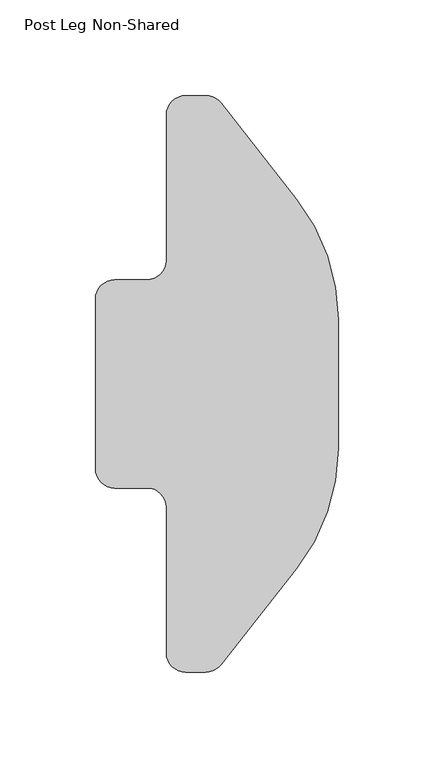
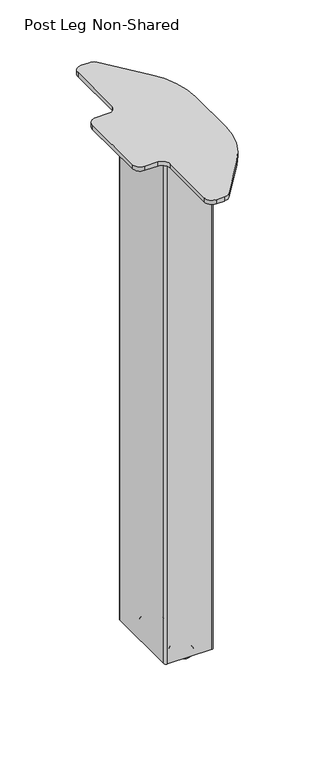
"""IFC4 building model written with IfcOpenShell, lengths in millimetres: furniture geometry, Post Leg Non-Shared."""

import ifcopenshell
import ifcopenshell.guid

model = None  # the IFC model being written
_history = None  # IfcOwnerHistory: only IFC2X3 demands one
_inside = {}  # id of a spatial element -> (the spatial element, [elements in it])
_under = {}  # id of a project, library or spatial element -> (it, [spatial elements below it])
_declared = {}  # id of a project -> (the project, [libraries it declares])
_typed = {}  # id of a type object -> (the type object, [elements of that type])
_made_of = {}  # id of a material, layer set ... -> (it, [elements and type objects made of it])


def new_model(schema):
    """Start an empty IFC model of exactly this schema.

    Asked for "IFC4X3", IfcOpenShell would pick the latest addendum, in which some entities
    have other attributes; the version numbers below select the first issue.
    IFC2X3 requires an IfcOwnerHistory on every rooted entity: one is made here for all.
    """
    global model, _history
    if schema == "IFC4X3":
        model = ifcopenshell.file(schema_version=(4, 3, 0, 0))
    else:
        model = ifcopenshell.file(schema=schema)
    _inside.clear()
    _under.clear()
    _declared.clear()
    _typed.clear()
    _made_of.clear()
    _history = None
    if model.schema == "IFC2X3":
        org = make("IfcOrganization", Name="unknown")
        user = make(
            "IfcPersonAndOrganization",
            ThePerson=make("IfcPerson", FamilyName="unknown"),
            TheOrganization=org,
        )
        app = make(
            "IfcApplication",
            ApplicationDeveloper=org,
            Version="unknown",
            ApplicationFullName="unknown",
            ApplicationIdentifier="unknown",
        )
        _history = make(
            "IfcOwnerHistory",
            OwningUser=user,
            OwningApplication=app,
            ChangeAction="ADDED",
            CreationDate=0,
        )
    return model


def make(cls, **values):
    """One entity of the class cls with the attributes given. An attribute that is None is left unset."""
    return model.create_entity(
        cls, **{name: value for name, value in values.items() if value is not None}
    )


def rooted(cls, **values):
    """An entity with a GlobalId (a new one), such as an element, a storey or a relation."""
    return make(cls, GlobalId=ifcopenshell.guid.new(), OwnerHistory=_history, **values)


def si_unit(unit_type, name, prefix=None):
    """IfcSIUnit, for example si_unit("LENGTHUNIT", "METRE", prefix="MILLI")."""
    return make("IfcSIUnit", UnitType=unit_type, Prefix=prefix, Name=name)


def assignment(units):
    """IfcUnitAssignment: the units of a project."""
    return None if units is None else make("IfcUnitAssignment", Units=units)


def point(xyz):
    """IfcCartesianPoint."""
    return None if xyz is None else make("IfcCartesianPoint", Coordinates=xyz)


def direction(xyz):
    """IfcDirection."""
    return None if xyz is None else make("IfcDirection", DirectionRatios=xyz)


def frame(location, z_axis=None, x_axis=None):
    """IfcAxis2Placement3D, a coordinate frame: its origin and axes. An axis left out is left unset."""
    return make(
        "IfcAxis2Placement3D",
        Location=point(location),
        Axis=direction(z_axis),
        RefDirection=direction(x_axis),
    )


def frame_2d(location, x_axis=None):
    """IfcAxis2Placement2D, a coordinate frame in the plane: its origin and x axis."""
    return make(
        "IfcAxis2Placement2D", Location=point(location), RefDirection=direction(x_axis)
    )


def origin():
    """The frame at (0, 0, 0) with its axes left unset."""
    return frame((0.0, 0.0, 0.0))


def place(relative_to, where):
    """IfcLocalPlacement: puts the frame where relative to a parent placement (None: the world)."""
    return make(
        "IfcLocalPlacement", PlacementRelTo=relative_to, RelativePlacement=where
    )


def context(
    kind, dimensions, precision=None, world=None, true_north=None, identifier=None
):
    """IfcGeometricRepresentationContext, for example the 3D "Model" context."""
    return make(
        "IfcGeometricRepresentationContext",
        ContextIdentifier=identifier,
        ContextType=kind,
        CoordinateSpaceDimension=dimensions,
        Precision=precision,
        WorldCoordinateSystem=world,
        TrueNorth=true_north,
    )


def project(units=None, contexts=None):
    """IfcProject with its units and contexts."""
    return rooted(
        "IfcProject",
        Name="project",
        RepresentationContexts=contexts,
        UnitsInContext=assignment(units),
    )


def spatial(cls, under=None, at=None, **own):
    """A site, building, storey or space (cls), placed at a placement, below another one or the project."""
    s = rooted(cls, ObjectPlacement=at, **own)
    if under is not None:
        _under.setdefault(under.id(), (under, []))[1].append(s)
    return s


def polyline(points):
    """IfcPolyline through the points."""
    return make("IfcPolyline", Points=[point(p) for p in points])


def circle_curve(where, radius):
    """IfcCircle in the frame where."""
    return make("IfcCircle", Position=where, Radius=radius)


def ellipse_curve(where, semi_axis1, semi_axis2):
    """IfcEllipse in the frame where."""
    return make(
        "IfcEllipse", Position=where, SemiAxis1=semi_axis1, SemiAxis2=semi_axis2
    )


def trimmed(basis, trim1, trim2, sense, master):
    """IfcTrimmedCurve: the piece of a basis curve between two trims."""
    return make(
        "IfcTrimmedCurve",
        BasisCurve=basis,
        Trim1=trim1,
        Trim2=trim2,
        SenseAgreement=sense,
        MasterRepresentation=master,
    )


def segment(curve, same_sense, transition):
    """IfcCompositeCurveSegment."""
    return make(
        "IfcCompositeCurveSegment",
        Transition=transition,
        SameSense=same_sense,
        ParentCurve=curve,
    )


def composite_curve(segments, self_intersect=None):
    """IfcCompositeCurve: segments joined end to end."""
    return make("IfcCompositeCurve", Segments=segments, SelfIntersect=self_intersect)


def outline(outer, holes=None, kind="AREA"):
    """IfcArbitraryClosedProfileDef: a profile drawn as a closed curve; with holes, ...WithVoids."""
    if holes is None:
        return make("IfcArbitraryClosedProfileDef", ProfileType=kind, OuterCurve=outer)
    return make(
        "IfcArbitraryProfileDefWithVoids",
        ProfileType=kind,
        OuterCurve=outer,
        InnerCurves=holes,
    )


def extrude(swept, where, along, depth):
    """IfcExtrudedAreaSolid: the profile swept, set in the frame where, extruded along a direction by depth."""
    return make(
        "IfcExtrudedAreaSolid",
        SweptArea=swept,
        Position=where,
        ExtrudedDirection=direction(along),
        Depth=depth,
    )


def shape(context_of_items, identifier, shape_type, items):
    """IfcShapeRepresentation: the items that make up one representation, for example the "Body"."""
    return make(
        "IfcShapeRepresentation",
        ContextOfItems=context_of_items,
        RepresentationIdentifier=identifier,
        RepresentationType=shape_type,
        Items=items,
    )


def source(mapping_origin, context_of_items, identifier, shape_type, items):
    """IfcRepresentationMap: a shape defined once, which mapped items show again and again."""
    return make(
        "IfcRepresentationMap",
        MappingOrigin=mapping_origin,
        MappedRepresentation=shape(context_of_items, identifier, shape_type, items),
    )


def transform(
    local_origin,
    x_axis=None,
    y_axis=None,
    z_axis=None,
    scale=None,
    scale2=None,
    scale3=None,
    uniform=True,
):
    """IfcCartesianTransformationOperator3D, or its non-uniform kind. x_axis, y_axis, z_axis: its Axis1, 2, 3."""
    if uniform:
        return make(
            "IfcCartesianTransformationOperator3D",
            Axis1=direction(x_axis),
            Axis2=direction(y_axis),
            LocalOrigin=point(local_origin),
            Scale=scale,
            Axis3=direction(z_axis),
        )
    return make(
        "IfcCartesianTransformationOperator3DnonUniform",
        Axis1=direction(x_axis),
        Axis2=direction(y_axis),
        LocalOrigin=point(local_origin),
        Scale=scale,
        Axis3=direction(z_axis),
        Scale2=scale2,
        Scale3=scale3,
    )


def mapped(mapping_source, mapping_target):
    """IfcMappedItem: shows the shape of a source again, moved by a transform."""
    return make(
        "IfcMappedItem", MappingSource=mapping_source, MappingTarget=mapping_target
    )


def made_of(thing, what):
    """Note that an element or type object is made of a material, layer set ...; save() writes the relation."""
    if what is not None:
        _made_of.setdefault(what.id(), (what, []))[1].append(thing)
    return thing


def element(
    cls,
    number,
    at=None,
    inside=None,
    cuts=None,
    type_object=None,
    material=None,
    context=None,
    identifier="Body",
    shape_type=None,
    held_by="IfcProductDefinitionShape",
    body=None,
    shapes=None,
    **own,
):
    """One element of the class cls, such as IfcWall. Its Tag is "e" and its number.

    at: its placement. inside: the storey or other place that contains it. cuts: it is an
    opening in that element (IfcRelVoidsElement). A single representation is given by context,
    identifier, shape_type and body (its items); several are given by shapes. held_by: the class
    of the entity that holds the representations. save() writes the other relations.
    """
    e = rooted(cls, Tag="e%d" % number, ObjectPlacement=at, **own)
    if body is not None:
        shapes = [shape(context, identifier, shape_type, body)]
    if shapes is not None:
        e.Representation = make(held_by, Representations=shapes)
    if inside is not None:
        _inside.setdefault(inside.id(), (inside, []))[1].append(e)
    if cuts is not None:
        rooted(
            "IfcRelVoidsElement", RelatingBuildingElement=cuts, RelatedOpeningElement=e
        )
    if type_object is not None:
        _typed.setdefault(type_object.id(), (type_object, []))[1].append(e)
    return made_of(e, material)


def aggregate(whole, parts):
    """IfcRelAggregates: a whole, such as a stair, and the parts it consists of."""
    return rooted("IfcRelAggregates", RelatingObject=whole, RelatedObjects=parts)


def save(model, path):
    """Write the relations noted so far, then the file.

    IfcRelAggregates (storeys below a building ...), IfcRelContainedInSpatialStructure (elements
    in a storey), IfcRelDefinesByType, IfcRelAssociatesMaterial and IfcRelDeclares: one each for
    every whole, place, type object, material and project.
    """
    for whole, parts in _under.values():
        aggregate(whole, parts)
    for where, things in _inside.values():
        rooted(
            "IfcRelContainedInSpatialStructure",
            RelatedElements=things,
            RelatingStructure=where,
        )
    for kind, things in _typed.values():
        rooted("IfcRelDefinesByType", RelatedObjects=things, RelatingType=kind)
    for what, things in _made_of.values():
        rooted("IfcRelAssociatesMaterial", RelatedObjects=things, RelatingMaterial=what)
    for by, libraries in _declared.values():
        rooted("IfcRelDeclares", RelatingContext=by, RelatedDefinitions=libraries)
    model.write(path)


def plane_surface(at):
    """IfcPlane: the flat surface through the origin of the frame at, square to its z axis."""
    return make("IfcPlane", Position=at)


def cylinder_surface(at, radius):
    """IfcCylindricalSurface: all points at the distance radius from the z axis of the frame at."""
    return make("IfcCylindricalSurface", Position=at, Radius=radius)


def revolved_surface(curve, axis_point, axis_direction):
    """IfcSurfaceOfRevolution: the curve turned about the line through axis_point along axis_direction."""
    return make(
        "IfcSurfaceOfRevolution",
        SweptCurve=make("IfcArbitraryOpenProfileDef", ProfileType="CURVE", Curve=curve),
        AxisPosition=make("IfcAxis1Placement", Location=point(axis_point), Axis=direction(axis_direction)),
    )


def advanced_brep(points, edges, surfaces, faces):
    """IfcAdvancedBrep: a solid bounded by faces that lie on surfaces and meet in shared edges.

    An edge is (start, end): straight between two places in points (the first is 0);
    or (start, end, curve); or (start, end, curve, False) where it runs against its curve.
    A face is (place in surfaces, loops), or (place, loops, False) where it looks against
    its surface's normal. A loop lists edges by number (the first is 1), with a minus sign
    where the edge is run from its end to its start. The first loop is the outer one.
    """
    corners = [point(p) for p in points]
    vertices = [make("IfcVertexPoint", VertexGeometry=c) for c in corners]
    made = []
    for start, end, *more in edges:
        made.append(
            make(
                "IfcEdgeCurve",
                EdgeStart=vertices[start],
                EdgeEnd=vertices[end],
                EdgeGeometry=more[0] if more else make("IfcPolyline", Points=[corners[start], corners[end]]),
                SameSense=more[1] if len(more) > 1 else True,
            )
        )
    hull = []
    for where, loops, *sense in faces:
        bounds = []
        for j, loop in enumerate(loops):
            ring = [make("IfcOrientedEdge", EdgeElement=made[abs(k) - 1], Orientation=k > 0) for k in loop]
            bounds.append(
                make(
                    "IfcFaceOuterBound" if j == 0 else "IfcFaceBound",
                    Bound=make("IfcEdgeLoop", EdgeList=ring),
                    Orientation=True,
                )
            )
        hull.append(make("IfcAdvancedFace", Bounds=bounds, FaceSurface=surfaces[where], SameSense=sense[0] if sense else True))
    return make("IfcAdvancedBrep", Outer=make("IfcClosedShell", CfsFaces=hull))


def post_leg_non_shared_7c8657bd(model_context):
    return source(origin(), model_context, "Body", "SolidModel", [
        extrude(outline(composite_curve([segment(trimmed(circle_curve(frame_2d((-43.1188621, 64.6446535)), 10.16), [point((-43.1188621, 54.4846535))], [point((-32.9588621, 64.6446535))], True, "CARTESIAN"), True, "CONTINUOUS"), segment(polyline([(-32.9588621, 64.6446535), (-32.9588621, 140.6746409)]), True, "CONTINUOUS"), segment(trimmed(circle_curve(frame_2d((-22.7988621, 140.6746409)), 10.16), [point((-32.9588621, 140.6746409))], [point((-22.7988621, 150.8346409))], False, "CARTESIAN"), True, "CONTINUOUS"), segment(polyline([(-22.7988621, 150.8346409), (-12.4190297, 150.8346409)]), True, "CONTINUOUS"), segment(trimmed(circle_curve(frame_2d((-12.4190297, 140.6746409)), 10.16), [point((-12.4190297, 150.8346409))], [point((-4.4410592, 146.9657128))], False, "CARTESIAN"), True, "CONTINUOUS"), segment(polyline([(-4.4410592, 146.9657128), (35.2797037, 96.5941582)]), True, "CONTINUOUS"), segment(trimmed(circle_curve(frame_2d((-44.5000015, 33.6834386)), 101.6), [point((35.2797037, 96.5941582))], [point((57.0999985, 33.6834386))], False, "CARTESIAN"), True, "CONTINUOUS"), segment(polyline([(57.0999985, 33.6834386), (57.0999985, -33.6718318)]), True, "CONTINUOUS"), segment(trimmed(circle_curve(frame_2d((-44.5000015, -33.6718318)), 101.6), [point((57.0999985, -33.6718318))], [point((35.2797037, -96.5825515))], False, "CARTESIAN"), True, "CONTINUOUS"), segment(polyline([(35.2797037, -96.5825515), (-4.4410592, -146.9541061)]), True, "CONTINUOUS"), segment(trimmed(circle_curve(frame_2d((-12.4190297, -140.6630341)), 10.16), [point((-4.4410592, -146.9541061))], [point((-12.4190297, -150.8230341))], False, "CARTESIAN"), True, "CONTINUOUS"), segment(polyline([(-12.4190297, -150.8230341), (-22.7988621, -150.8230341)]), True, "CONTINUOUS"), segment(trimmed(circle_curve(frame_2d((-22.7988621, -140.6630341)), 10.16), [point((-22.7988621, -150.8230341))], [point((-32.9588621, -140.6630341))], False, "CARTESIAN"), True, "CONTINUOUS"), segment(polyline([(-32.9588621, -140.6630341), (-32.9588621, -64.6330468)]), True, "CONTINUOUS"), segment(trimmed(circle_curve(frame_2d((-43.1188621, -64.6330468)), 10.16), [point((-32.9588621, -64.6330468))], [point((-43.1188621, -54.4730468))], True, "CARTESIAN"), True, "CONTINUOUS"), segment(polyline([(-43.1188621, -54.4730468), (-59.9158189, -54.4730468)]), True, "CONTINUOUS"), segment(trimmed(circle_curve(frame_2d((-59.9158189, -44.3130468)), 10.16), [point((-59.9158189, -54.4730468))], [point((-70.0758189, -44.3130468))], False, "CARTESIAN"), True, "CONTINUOUS"), segment(polyline([(-70.0758189, -44.3130468), (-70.0758189, 44.3246535)]), True, "CONTINUOUS"), segment(trimmed(circle_curve(frame_2d((-59.9158189, 44.3246535)), 10.16), [point((-70.0758189, 44.3246535))], [point((-59.9158189, 54.4846535))], False, "CARTESIAN"), True, "CONTINUOUS"), segment(polyline([(-59.9158189, 54.4846535), (-43.1188621, 54.4846535)]), True, "CONTINUOUS")], self_intersect=False)), frame((0.0, 0.0, 691.533807), z_axis=(0.0, 0.0, 1.0), x_axis=(1.0, 0.0, 0.0)), (0.0, 0.0, 1.0), 5.6950012),
        advanced_brep(
        [(28.652, 51.7000011, 6.152), (31.7, 48.6520011, 6.152), (31.7, -48.6520011, 6.152), (28.652, -51.7000011, 6.152), (-28.652, -51.7000011, 6.152), (-31.7, -48.6520011, 6.152), (-31.7, 48.6520011, 6.152), (-28.652, 51.7000011, 6.152), (-28.5300002, 49.799999, 6.152), (-29.8000002, 48.529999, 6.152), (-29.8000002, -48.529999, 6.152), (-28.5300002, -49.799999, 6.152), (28.5300002, -49.799999, 6.152), (29.8000002, -48.529999, 6.152), (29.8000002, 48.529999, 6.152), (28.5300002, 49.799999, 6.152), (28.652, 51.7000011, 691.533807), (-28.652, 51.7000011, 691.533807), (-31.7, 48.6520011, 691.533807), (-31.7, -48.6520011, 691.533807), (-28.652, -51.7000011, 691.533807), (28.652, -51.7000011, 691.533807), (31.7, -48.6520011, 691.533807), (31.7, 48.6520011, 691.533807), (-28.5300002, 49.799999, 11.3499999), (28.5300002, 49.799999, 11.3499999), (29.8000002, 48.529999, 11.3499999), (29.8000002, -48.529999, 11.3499999), (28.5300002, -49.799999, 11.3499999), (-28.5300002, -49.799999, 11.3499999), (-29.8000002, -48.529999, 11.3499999), (-29.8000002, 48.529999, 11.3499999), (0.0, 22.9306261, 11.3499999), (0.0, 43.0693742, 11.3499999), (0.0, -43.0693742, 11.3499999), (0.0, -22.9306261, 11.3499999), (0.0, 33.0000002, 0.0), (0.0, 44.1125009, 0.0), (0.0, 21.8874994, 0.0), (0.0, 22.9306261, 6.3500002), (0.0, 43.0693742, 6.3500002), (0.0, 44.1125009, 6.3500002), (0.0, 21.8874994, 6.3500002), (0.0, -21.8874994, 0.0), (0.0, -44.1125009, 0.0), (0.0, -33.0000002, 0.0), (0.0, -43.0693742, 6.3500002), (0.0, -22.9306261, 6.3500002), (0.0, -21.8874994, 6.3500002), (0.0, -44.1125009, 6.3500002)],
        [
            (0, 1, circle_curve(frame((28.652, 48.6520011, 6.152), z_axis=(0.0, 0.0, -1.0), x_axis=(0.0, -1.0, 0.0)), 3.048)),
            (1, 2),
            (2, 3, circle_curve(frame((28.652, -48.6520011, 6.152), z_axis=(0.0, 0.0, -1.0), x_axis=(0.0, -1.0, 0.0)), 3.048)),
            (3, 4),
            (4, 5, circle_curve(frame((-28.652, -48.6520011, 6.152), z_axis=(0.0, 0.0, -1.0), x_axis=(0.0, -1.0, 0.0)), 3.048)),
            (5, 6),
            (6, 7, circle_curve(frame((-28.652, 48.6520011, 6.152), z_axis=(0.0, 0.0, -1.0), x_axis=(0.0, -1.0, 0.0)), 3.048)),
            (7, 0),
            (8, 9, circle_curve(frame((-28.5300002, 48.529999, 6.152), z_axis=(0.0, 0.0, 1.0), x_axis=(1.0, 0.0, 0.0)), 1.27)),
            (9, 10),
            (10, 11, circle_curve(frame((-28.5300002, -48.529999, 6.152), z_axis=(0.0, 0.0, 1.0), x_axis=(1.0, 0.0, 0.0)), 1.27)),
            (11, 12),
            (12, 13, circle_curve(frame((28.5300002, -48.529999, 6.152), z_axis=(0.0, 0.0, 1.0), x_axis=(1.0, 0.0, 0.0)), 1.27)),
            (13, 14),
            (14, 15, circle_curve(frame((28.5300002, 48.529999, 6.152), z_axis=(0.0, 0.0, 1.0), x_axis=(1.0, 0.0, 0.0)), 1.27)),
            (15, 8),
            (16, 17),
            (17, 18, circle_curve(frame((-28.652, 48.6520011, 691.533807), z_axis=(0.0, 0.0, 1.0), x_axis=(0.0, -1.0, 0.0)), 3.048)),
            (18, 19),
            (19, 20, circle_curve(frame((-28.652, -48.6520011, 691.533807), z_axis=(0.0, 0.0, 1.0), x_axis=(0.0, -1.0, 0.0)), 3.048)),
            (20, 21),
            (21, 22, circle_curve(frame((28.652, -48.6520011, 691.533807), z_axis=(0.0, 0.0, 1.0), x_axis=(0.0, -1.0, 0.0)), 3.048)),
            (22, 23),
            (23, 16, circle_curve(frame((28.652, 48.6520011, 691.533807), z_axis=(0.0, 0.0, 1.0), x_axis=(0.0, -1.0, 0.0)), 3.048)),
            (0, 16),
            (23, 1),
            (22, 2),
            (21, 3),
            (20, 4),
            (19, 5),
            (18, 6),
            (17, 7),
            (24, 25),
            (25, 26, circle_curve(frame((28.5300002, 48.529999, 11.3499999), z_axis=(0.0, 0.0, -1.0), x_axis=(1.0, 0.0, 0.0)), 1.27)),
            (26, 27),
            (27, 28, circle_curve(frame((28.5300002, -48.529999, 11.3499999), z_axis=(0.0, 0.0, -1.0), x_axis=(1.0, 0.0, 0.0)), 1.27)),
            (28, 29),
            (29, 30, circle_curve(frame((-28.5300002, -48.529999, 11.3499999), z_axis=(0.0, 0.0, -1.0), x_axis=(1.0, 0.0, 0.0)), 1.27)),
            (30, 31),
            (31, 24, circle_curve(frame((-28.5300002, 48.529999, 11.3499999), z_axis=(0.0, 0.0, -1.0), x_axis=(1.0, 0.0, 0.0)), 1.27)),
            (32, 33, circle_curve(frame((0.0, 33.0000002, 11.3499999), z_axis=(0.0, 0.0, 1.0), x_axis=(0.0, 1.0, 0.0)), 10.069374)),
            (33, 32, circle_curve(frame((0.0, 33.0000002, 11.3499999), z_axis=(0.0, 0.0, 1.0), x_axis=(0.0, 1.0, 0.0)), 10.069374)),
            (34, 35, circle_curve(frame((0.0, -33.0000002, 11.3499999), z_axis=(0.0, 0.0, 1.0), x_axis=(0.0, -1.0, 0.0)), 10.069374)),
            (35, 34, circle_curve(frame((0.0, -33.0000002, 11.3499999), z_axis=(0.0, 0.0, 1.0), x_axis=(0.0, -1.0, 0.0)), 10.069374)),
            (31, 9),
            (8, 24),
            (30, 10),
            (29, 11),
            (28, 12),
            (27, 13),
            (26, 14),
            (25, 15),
            (36, 37),
            (37, 38, circle_curve(frame((0.0, 33.0000002, 0.0), z_axis=(0.0, 0.0, -1.0), x_axis=(0.0, 1.0, 0.0)), 11.1125008)),
            (38, 36),
            (38, 37, circle_curve(frame((0.0, 33.0000002, 0.0), z_axis=(0.0, 0.0, -1.0), x_axis=(0.0, 1.0, 0.0)), 11.1125008)),
            (39, 40, circle_curve(frame((0.0, 33.0000002, 6.3500002), z_axis=(0.0, 0.0, 1.0), x_axis=(0.0, 1.0, 0.0)), 10.069374)),
            (40, 33),
            (32, 39),
            (40, 39, circle_curve(frame((0.0, 33.0000002, 6.3500002), z_axis=(0.0, 0.0, 1.0), x_axis=(0.0, 1.0, 0.0)), 10.069374)),
            (37, 41, circle_curve(frame((0.0, 44.1125009, 3.1750001), z_axis=(1.0, 0.0, 0.0), x_axis=(0.0, 1.0, 0.0)), 3.1750001)),
            (41, 42, circle_curve(frame((0.0, 33.0000002, 6.3500002), z_axis=(0.0, 0.0, -1.0), x_axis=(0.0, 1.0, 0.0)), 11.1125008)),
            (42, 38, circle_curve(frame((0.0, 21.8874994, 3.1750001), z_axis=(1.0, 0.0, 0.0), x_axis=(0.0, -1.0, 0.0)), 3.1750001)),
            (42, 41, circle_curve(frame((0.0, 33.0000002, 6.3500002), z_axis=(0.0, 0.0, -1.0), x_axis=(0.0, 1.0, 0.0)), 11.1125008)),
            (39, 42),
            (41, 40),
            (43, 44, circle_curve(frame((0.0, -33.0000002, 0.0), z_axis=(0.0, 0.0, -1.0), x_axis=(0.0, -1.0, 0.0)), 11.1125008)),
            (44, 45),
            (45, 43),
            (44, 43, circle_curve(frame((0.0, -33.0000002, 0.0), z_axis=(0.0, 0.0, -1.0), x_axis=(0.0, -1.0, 0.0)), 11.1125008)),
            (34, 46),
            (46, 47, circle_curve(frame((0.0, -33.0000002, 6.3500002), z_axis=(0.0, 0.0, 1.0), x_axis=(0.0, -1.0, 0.0)), 10.069374)),
            (47, 35),
            (47, 46, circle_curve(frame((0.0, -33.0000002, 6.3500002), z_axis=(0.0, 0.0, 1.0), x_axis=(0.0, -1.0, 0.0)), 10.069374)),
            (43, 48, circle_curve(frame((0.0, -21.8874994, 3.1750001), z_axis=(1.0, 0.0, 0.0), x_axis=(0.0, 1.0, 0.0)), 3.1750001)),
            (48, 49, circle_curve(frame((0.0, -33.0000002, 6.3500002), z_axis=(0.0, 0.0, -1.0), x_axis=(0.0, -1.0, 0.0)), 11.1125008)),
            (49, 44, circle_curve(frame((0.0, -44.1125009, 3.1750001), z_axis=(1.0, 0.0, 0.0), x_axis=(0.0, -1.0, 0.0)), 3.1750001)),
            (49, 48, circle_curve(frame((0.0, -33.0000002, 6.3500002), z_axis=(0.0, 0.0, -1.0), x_axis=(0.0, -1.0, 0.0)), 11.1125008)),
            (46, 49),
            (48, 47),
        ],
        [
            plane_surface(frame((28.652, 45.6040011, 6.152), z_axis=(0.0, 0.0, -1.0), x_axis=(-1.0, 0.0, 0.0))),
            plane_surface(frame((28.652, 45.6040011, 691.533807), z_axis=(0.0, 0.0, 1.0), x_axis=(1.0, 0.0, 0.0))),
            cylinder_surface(frame((28.652, 48.6520011, 691.533807), z_axis=(0.0, 0.0, -1.0), x_axis=(0.0, -1.0, 0.0)), 3.048),
            plane_surface(frame((31.7, 48.6520011, 6.152), z_axis=(1.0, 0.0, 0.0), x_axis=(0.0, 0.0, 1.0))),
            cylinder_surface(frame((28.652, -48.6520011, 691.533807), z_axis=(0.0, 0.0, -1.0), x_axis=(0.0, -1.0, 0.0)), 3.048),
            plane_surface(frame((28.652, -51.7000011, 6.152), z_axis=(0.0, -1.0, 0.0), x_axis=(0.0, 0.0, 1.0))),
            cylinder_surface(frame((-28.652, -48.6520011, 691.533807), z_axis=(0.0, 0.0, -1.0), x_axis=(0.0, -1.0, 0.0)), 3.048),
            plane_surface(frame((-31.7, -48.6520011, 6.152), z_axis=(-1.0, 0.0, 0.0), x_axis=(0.0, 0.0, 1.0))),
            cylinder_surface(frame((-28.652, 48.6520011, 691.533807), z_axis=(0.0, 0.0, -1.0), x_axis=(0.0, -1.0, 0.0)), 3.048),
            plane_surface(frame((-28.652, 51.7000011, 6.152), z_axis=(0.0, 1.0, 0.0), x_axis=(0.0, 0.0, 1.0))),
            plane_surface(frame((-27.2600002, 48.529999, 11.3499999), z_axis=(0.0, 0.0, -1.0), x_axis=(0.0, 1.0, 0.0))),
            revolved_surface(polyline([(-27.2600002, 48.529999, 11.3499999), (-27.2600002, 48.529999, 6.152)]), (-28.5300002, 48.529999, 0.0), (0.0, 0.0, 1.0)),
            plane_surface(frame((-29.8000002, 48.529999, 11.3499999), z_axis=(1.0, 0.0, 0.0), x_axis=(0.0, 0.0, -1.0))),
            revolved_surface(polyline([(-27.2600002, -48.529999, 11.3499999), (-27.2600002, -48.529999, 6.152)]), (-28.5300002, -48.529999, 0.0), (0.0, 0.0, 1.0)),
            plane_surface(frame((-28.5300002, -49.799999, 11.3499999), z_axis=(0.0, 1.0, 0.0), x_axis=(0.0, 0.0, -1.0))),
            revolved_surface(polyline([(29.8000002, -48.529999, 11.3499999), (29.8000002, -48.529999, 6.152)]), (28.5300002, -48.529999, 0.0), (0.0, 0.0, 1.0)),
            plane_surface(frame((29.8000002, -48.529999, 11.3499999), z_axis=(-1.0, 0.0, 0.0), x_axis=(0.0, 0.0, -1.0))),
            revolved_surface(polyline([(29.8000002, 48.529999, 11.3499999), (29.8000002, 48.529999, 6.152)]), (28.5300002, 48.529999, 0.0), (0.0, 0.0, 1.0)),
            plane_surface(frame((28.5300002, 49.799999, 11.3499999), z_axis=(0.0, -1.0, 0.0), x_axis=(0.0, 0.0, -1.0))),
            plane_surface(frame((0.0, 33.0000002, 0.0), z_axis=(0.0, 0.0, -1.0), x_axis=(0.0, 1.0, 0.0))),
            cylinder_surface(frame((0.0, 33.0000002, 0.0), z_axis=(0.0, 0.0, -1.0), x_axis=(0.0, 1.0, 0.0)), 10.069374),
            revolved_surface(trimmed(ellipse_curve(frame((0.0, 44.1125009, 3.1750001), z_axis=(-1.0, 0.0, 0.0), x_axis=(0.0, 1.0, 0.0)), 3.1750001, 3.1750001), [point((0.0, 44.1125009, 6.3500002))], [point((0.0, 44.1125009, 0.0))], True, "CARTESIAN"), (0.0, 33.0000002, 0.0), (0.0, 0.0, -1.0)),
            plane_surface(frame((0.0, 33.0000002, 6.3500002), z_axis=(0.0, 0.0, 1.0), x_axis=(0.0, 1.0, 0.0))),
            plane_surface(frame((0.0, -33.0000002, 0.0), z_axis=(0.0, 0.0, -1.0), x_axis=(0.0, -1.0, 0.0))),
            cylinder_surface(frame((0.0, -33.0000002, 0.0), z_axis=(0.0, 0.0, 1.0), x_axis=(0.0, -1.0, 0.0)), 10.069374),
            revolved_surface(trimmed(ellipse_curve(frame((0.0, -44.1125009, 3.1750001), z_axis=(-1.0, 0.0, 0.0), x_axis=(0.0, -1.0, 0.0)), 3.1750001, 3.1750001), [point((0.0, -44.1125009, 0.0))], [point((0.0, -44.1125009, 6.3500002))], True, "CARTESIAN"), (0.0, -33.0000002, 0.0), (0.0, 0.0, 1.0)),
            plane_surface(frame((0.0, -33.0000002, 6.3500002), z_axis=(0.0, 0.0, 1.0), x_axis=(0.0, -1.0, 0.0))),
        ],
        [
            (0, [[1, 2, 3, 4, 5, 6, 7, 8], [9, 10, 11, 12, 13, 14, 15, 16]]),
            (1, [[17, 18, 19, 20, 21, 22, 23, 24]]),
            (2, [[-1, 25, -24, 26]]),
            (3, [[-2, -26, -23, 27]]),
            (4, [[-3, -27, -22, 28]]),
            (5, [[-4, -28, -21, 29]]),
            (6, [[-5, -29, -20, 30]]),
            (7, [[-6, -30, -19, 31]]),
            (8, [[-7, -31, -18, 32]]),
            (9, [[-8, -32, -17, -25]]),
            (10, [[33, 34, 35, 36, 37, 38, 39, 40], [41, 42], [43, 44]]),
            (11, [[-40, 45, -9, 46]]),
            (12, [[-39, 47, -10, -45]]),
            (13, [[-38, 48, -11, -47]]),
            (14, [[-37, 49, -12, -48]]),
            (15, [[-36, 50, -13, -49]]),
            (16, [[-35, 51, -14, -50]]),
            (17, [[-34, 52, -15, -51]]),
            (18, [[-33, -46, -16, -52]]),
            (19, [[53, 54, 55]]),
            (19, [[-53, -55, 56]]),
            (20, [[57, 58, -41, 59]]),
            (20, [[-58, 60, -59, -42]]),
            (21, [[-54, 61, 62, 63]]),
            (21, [[-56, -63, 64, -61]]),
            (22, [[-57, 65, -62, 66]]),
            (22, [[-60, -66, -64, -65]]),
            (23, [[67, 68, 69]]),
            (23, [[-68, 70, -69]]),
            (24, [[71, 72, 73, -43]]),
            (24, [[-71, -44, -73, 74]]),
            (25, [[-67, 75, 76, 77]]),
            (25, [[-70, -77, 78, -75]]),
            (26, [[-72, 79, -76, 80]]),
            (26, [[-74, -80, -78, -79]]),
        ],
    ),
    ])


if __name__ == "__main__":
    model = new_model("IFC4")
    model_context = context("Model", 3, world=origin())
    ifc_project = project(units=[si_unit("LENGTHUNIT", "METRE", prefix="MILLI")], contexts=[model_context])
    site = spatial("IfcSite", under=ifc_project)
    building = spatial("IfcBuilding", under=site)
    placement = place(None, origin())
    post_leg_non_shared_shape = post_leg_non_shared_7c8657bd(model_context)
    element("IfcFurniture", 1, ObjectType="Post Leg Non-Shared", at=placement, inside=building, context=model_context, shape_type="MappedRepresentation", body=[
        mapped(post_leg_non_shared_shape, transform((0.0, 0.0, 0.0), x_axis=(1.0, 0.0, 0.0), y_axis=(0.0, 1.0, 0.0), z_axis=(0.0, 0.0, 1.0))),
    ])
    save(model, "model.ifc")
